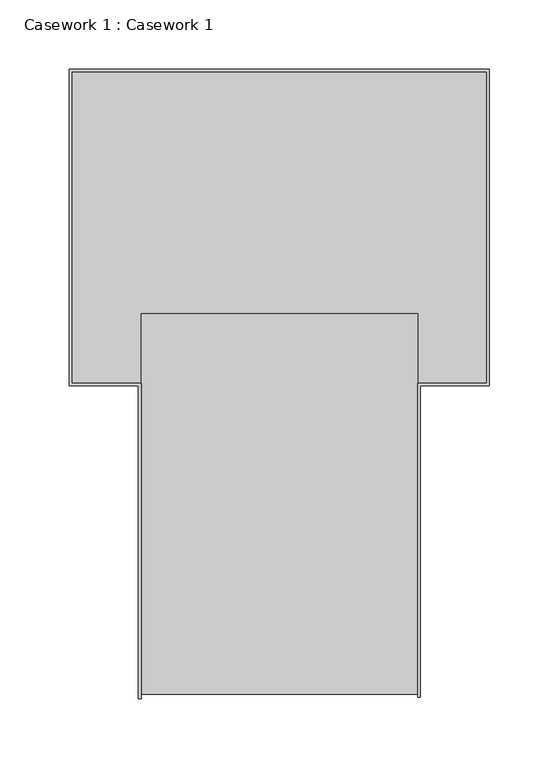
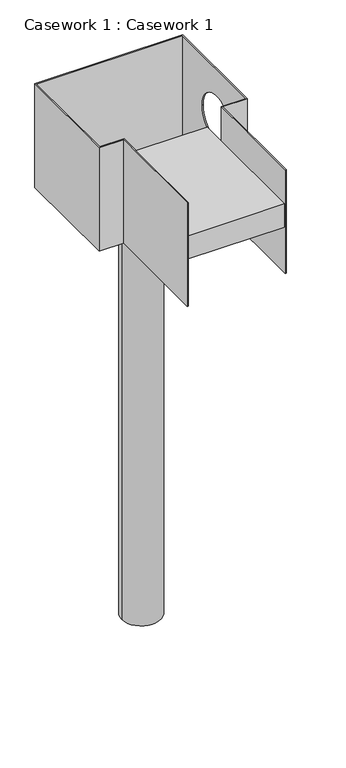
"""IFC4 building model written with IfcOpenShell, lengths in millimetres: furniture geometry, Casework 1 : Casework 1."""

from ifc_helpers import new_model, si_unit, point, frame, frame_2d, origin, place, context, project, spatial, polyline, circle_curve, trimmed, segment, composite_curve, outline, extrude, source, transform, mapped, element, save
from ifc_brep_helpers import plane_surface, revolved_surface, advanced_brep


def casework_1_casework_1_8725e004(model_context):
    return source(origin(), model_context, "Body", "SolidModel", [
        extrude(outline(polyline([(6570.3865788, 431.4034434), (6570.3865788, 706.312753), (6770.3865788, 706.312753), (6770.3865788, 431.4034434), (6570.3865788, 431.4034434)])), frame((0.0, 0.0, 2686.5732141), z_axis=(0.0, 0.0, 1.0), x_axis=(1.0, 0.0, 0.0)), (0.0, 0.0, 1.0), 50.0),
        advanced_brep(
        [(6520.3865788, 881.312753, 2811.5732141), (6820.3865788, 881.312753, 2811.5732141), (6820.3865788, 656.312753, 2811.5732141), (6770.3865788, 656.312753, 2811.5732141), (6770.3865788, 575.0499051, 2811.5732141), (6770.3865788, 429.0451025, 2811.5732141), (6772.3865788, 429.0451025, 2811.5732141), (6772.3865788, 654.312753, 2811.5732141), (6822.3865788, 654.312753, 2811.5732141), (6822.3865788, 883.312753, 2811.5732141), (6518.3865788, 883.312753, 2811.5732141), (6518.3865788, 654.312753, 2811.5732141), (6568.3865788, 654.312753, 2811.5732141), (6568.3865788, 428.1017661, 2811.5732141), (6570.3865788, 428.1017661, 2811.5732141), (6570.3865788, 575.0499051, 2811.5732141), (6570.3865788, 656.312753, 2811.5732141), (6520.3865788, 656.312753, 2811.5732141), (6520.3865788, 881.312753, 2586.5732141), (6520.3865788, 656.312753, 2586.5732141), (6570.3865788, 656.312753, 2586.5732141), (6570.3865788, 428.1017661, 2586.5732141), (6568.3865788, 428.1017661, 2586.5732141), (6568.3865788, 654.312753, 2586.5732141), (6518.3865788, 654.312753, 2586.5732141), (6518.3865788, 883.312753, 2586.5732141), (6822.3865788, 883.312753, 2586.5732141), (6822.3865788, 654.312753, 2586.5732141), (6772.3865788, 654.312753, 2586.5732141), (6772.3865788, 429.0451025, 2586.5732141), (6770.3865788, 429.0451025, 2586.5732141), (6770.3865788, 656.312753, 2586.5732141), (6820.3865788, 656.312753, 2586.5732141), (6820.3865788, 881.312753, 2586.5732141), (6820.3865788, 811.3907929, 2703.5791378), (6820.3865788, 711.3907929, 2703.5791378), (6770.3865788, 656.312753, 2591.5732141), (6570.3865788, 656.312753, 2591.5732141), (6570.3865788, 656.312753, 2686.5732141), (6770.3865788, 656.312753, 2686.5732141), (6770.3865788, 639.2883324, 2686.5732141), (6770.3865788, 639.2883324, 2591.5732141), (6822.3865788, 711.3907929, 2703.5791378), (6822.3865788, 811.3907929, 2703.5791378), (6570.3865788, 639.2883324, 2591.5732141), (6570.3865788, 639.2883324, 2686.5732141)],
        [
            (0, 1),
            (1, 2),
            (2, 3),
            (3, 4),
            (4, 5),
            (5, 6),
            (6, 7),
            (7, 8),
            (8, 9),
            (9, 10),
            (10, 11),
            (11, 12),
            (12, 13),
            (13, 14),
            (14, 15),
            (15, 16),
            (16, 17),
            (17, 0),
            (18, 19),
            (19, 20),
            (20, 21),
            (21, 22),
            (22, 23),
            (23, 24),
            (24, 25),
            (25, 26),
            (26, 27),
            (27, 28),
            (28, 29),
            (29, 30),
            (30, 31),
            (31, 32),
            (32, 33),
            (33, 18),
            (0, 18),
            (33, 1),
            (32, 2),
            (34, 35, circle_curve(frame((6820.3865788, 761.3907929, 2703.5791378), z_axis=(1.0, 0.0, 0.0), x_axis=(0.0, 1.0, 0.0)), 50.0)),
            (35, 34, circle_curve(frame((6820.3865788, 761.3907929, 2703.5791378), z_axis=(1.0, 0.0, 0.0), x_axis=(0.0, 1.0, 0.0)), 50.0)),
            (31, 36),
            (36, 37),
            (37, 20),
            (19, 17),
            (16, 38),
            (38, 39),
            (39, 3),
            (30, 5),
            (39, 40),
            (40, 41),
            (41, 36),
            (7, 28),
            (27, 8),
            (26, 9),
            (42, 43, circle_curve(frame((6822.3865788, 761.3907929, 2703.5791378), z_axis=(-1.0, 0.0, 0.0), x_axis=(0.0, 1.0, 0.0)), 50.0)),
            (43, 42, circle_curve(frame((6822.3865788, 761.3907929, 2703.5791378), z_axis=(-1.0, 0.0, 0.0), x_axis=(0.0, 1.0, 0.0)), 50.0)),
            (25, 10),
            (24, 11),
            (23, 12),
            (29, 6),
            (22, 13),
            (21, 14),
            (37, 44),
            (44, 45),
            (45, 38),
            (44, 41),
            (40, 45),
            (42, 35),
            (34, 43),
        ],
        [
            plane_surface(frame((6520.3865788, 881.312753, 2811.5732141), z_axis=(0.0, 0.0, 1.0), x_axis=(1.0, 0.0, 0.0))),
            plane_surface(frame((6520.3865788, 881.312753, 2586.5732141), z_axis=(0.0, 0.0, -1.0), x_axis=(-1.0, 0.0, 0.0))),
            plane_surface(frame((6520.3865788, 881.312753, 2811.5732141), z_axis=(0.0, -1.0, 0.0), x_axis=(0.0, 0.0, -1.0))),
            plane_surface(frame((6820.3865788, 881.312753, 2811.5732141), z_axis=(-1.0, 0.0, 0.0), x_axis=(0.0, 0.0, -1.0))),
            plane_surface(frame((6820.3865788, 656.312753, 2811.5732141), z_axis=(0.0, 1.0, 0.0), x_axis=(0.0, 0.0, -1.0))),
            plane_surface(frame((6770.3865788, 656.312753, 2811.5732141), z_axis=(-1.0, 0.0, 0.0), x_axis=(0.0, 0.0, -1.0))),
            plane_surface(frame((6772.3865788, 654.312753, 2811.5732141), z_axis=(0.0, -1.0, 0.0), x_axis=(0.0, 0.0, -1.0))),
            plane_surface(frame((6822.3865788, 654.312753, 2811.5732141), z_axis=(1.0, 0.0, 0.0), x_axis=(0.0, 0.0, -1.0))),
            plane_surface(frame((6822.3865788, 883.312753, 2811.5732141), z_axis=(0.0, 1.0, 0.0), x_axis=(0.0, 0.0, -1.0))),
            plane_surface(frame((6518.3865788, 883.312753, 2811.5732141), z_axis=(-1.0, 0.0, 0.0), x_axis=(0.0, 0.0, -1.0))),
            plane_surface(frame((6518.3865788, 654.312753, 2811.5732141), z_axis=(0.0, -1.0, 0.0), x_axis=(0.0, 0.0, -1.0))),
            plane_surface(frame((6520.3865788, 656.312753, 2811.5732141), z_axis=(1.0, 0.0, 0.0), x_axis=(0.0, 0.0, -1.0))),
            plane_surface(frame((6770.3865788, 429.0451025, 2811.5732141), z_axis=(0.0, -1.0, 0.0), x_axis=(0.0, 0.0, -1.0))),
            plane_surface(frame((6772.3865788, 429.0451025, 2811.5732141), z_axis=(1.0, 0.0, 0.0), x_axis=(0.0, 0.0, -1.0))),
            plane_surface(frame((6568.3865788, 654.312753, 2811.5732141), z_axis=(-1.0, 0.0, 0.0), x_axis=(0.0, 0.0, -1.0))),
            plane_surface(frame((6568.3865788, 428.1017661, 2811.5732141), z_axis=(0.0, -1.0, 0.0), x_axis=(0.0, 0.0, -1.0))),
            plane_surface(frame((6570.3865788, 428.1017661, 2811.5732141), z_axis=(1.0, 0.0, 0.0), x_axis=(0.0, 0.0, -1.0))),
            plane_surface(frame((6570.3865788, 639.2883324, 2686.5732141), z_axis=(0.0, -1.0, 0.0), x_axis=(0.0, 0.0, -1.0))),
            plane_surface(frame((6570.3865788, 656.312753, 2686.5732141), z_axis=(0.0, 0.0, 1.0), x_axis=(0.0, -1.0, 0.0))),
            plane_surface(frame((6770.3865788, 656.312753, 2591.5732141), z_axis=(0.0, 0.0, -1.0), x_axis=(0.0, -1.0, 0.0))),
            revolved_surface(polyline([(6820.3865788, 811.3907929, 2703.5791378), (6822.3865788, 811.3907929, 2703.5791378)]), (6846.9760286, 761.3907929, 2703.5791378), (-1.0, 0.0, 0.0)),
        ],
        [
            (0, [[1, 2, 3, 4, 5, 6, 7, 8, 9, 10, 11, 12, 13, 14, 15, 16, 17, 18]]),
            (1, [[19, 20, 21, 22, 23, 24, 25, 26, 27, 28, 29, 30, 31, 32, 33, 34]]),
            (2, [[-1, 35, -34, 36]]),
            (3, [[-2, -36, -33, 37], [38, 39]]),
            (4, [[-3, -37, -32, 40, 41, 42, -20, 43, -17, 44, 45, 46]]),
            (5, [[-31, 47, -5, -4, -46, 48, 49, 50, -40]]),
            (6, [[-8, 51, -28, 52]]),
            (7, [[-9, -52, -27, 53], [54, 55]]),
            (8, [[-10, -53, -26, 56]]),
            (9, [[-11, -56, -25, 57]]),
            (10, [[-12, -57, -24, 58]]),
            (11, [[-18, -43, -19, -35]]),
            (12, [[-6, -47, -30, 59]]),
            (13, [[-7, -59, -29, -51]]),
            (14, [[-13, -58, -23, 60]]),
            (15, [[-14, -60, -22, 61]]),
            (16, [[-21, -42, 62, 63, 64, -44, -16, -15, -61]]),
            (17, [[65, -49, 66, -63]]),
            (18, [[-45, -64, -66, -48]]),
            (19, [[-41, -50, -65, -62]]),
            (20, [[67, -38, 68, -54]]),
            (20, [[-67, -55, -68, -39]]),
        ],
    ),
        extrude(outline(composite_curve([segment(trimmed(circle_curve(frame_2d((6670.3865788, 768.812753)), 40.0), [point((6710.3865788, 768.812753))], [point((6630.3865788, 768.812753))], False, "CARTESIAN"), True, "CONTINUOUS"), segment(trimmed(circle_curve(frame_2d((6670.3865788, 768.812753)), 40.0), [point((6630.3865788, 768.812753))], [point((6710.3865788, 768.812753))], False, "CARTESIAN"), True, "CONTINUOUS")], self_intersect=False)), frame((0.0, 0.0, 1677.5969936), z_axis=(0.0, 0.0, 1.0), x_axis=(1.0, 0.0, 0.0)), (0.0, 0.0, 1.0), 908.9762205),
        extrude(outline(polyline([(6520.3865788, 656.312753), (6520.3865788, 881.312753), (6820.3865788, 881.312753), (6820.3865788, 656.312753), (6770.3865788, 656.312753), (6770.3865788, 621.312753), (6570.3865788, 621.312753), (6570.3865788, 656.312753), (6520.3865788, 656.312753)])), frame((0.0, 0.0, 2586.5732141), z_axis=(0.0, 0.0, 1.0), x_axis=(1.0, 0.0, 0.0)), (0.0, 0.0, 1.0), 5.0),
    ])


if __name__ == "__main__":
    model = new_model("IFC4")
    model_context = context("Model", 3, world=origin())
    ifc_project = project(units=[si_unit("LENGTHUNIT", "METRE", prefix="MILLI")], contexts=[model_context])
    site = spatial("IfcSite", under=ifc_project)
    building = spatial("IfcBuilding", under=site)
    placement = place(None, origin())
    casework_1_casework_1_shape = casework_1_casework_1_8725e004(model_context)
    element("IfcFurniture", 1, ObjectType="Casework 1 : Casework 1", at=placement, inside=building, context=model_context, shape_type="MappedRepresentation", body=[
        mapped(casework_1_casework_1_shape, transform((0.0, 0.0, 0.0), x_axis=(1.0, 0.0, 0.0), y_axis=(0.0, 1.0, 0.0), z_axis=(0.0, 0.0, 1.0))),
    ])
    save(model, "model.ifc")
